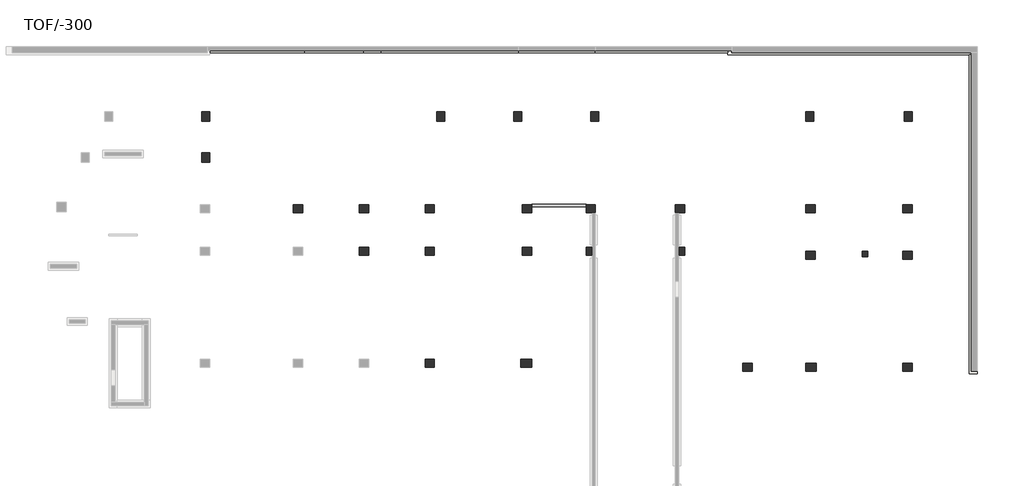
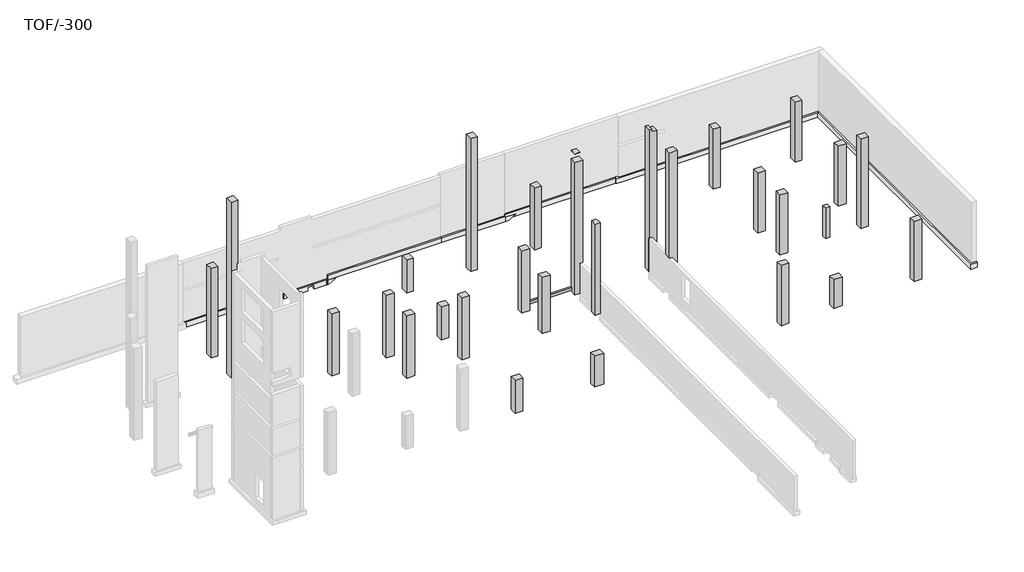
# One storey, part 4 of 4: 28 columns, 5 footings, 3 slabs, 1 beam.
"""IFC4 building model written with IfcOpenShell, lengths in millimetres."""

import ifcopenshell
import ifcopenshell.guid

model = None  # the IFC model being written
_history = None  # IfcOwnerHistory: only IFC2X3 demands one
_inside = {}  # id of a spatial element -> (the spatial element, [elements in it])
_under = {}  # id of a project, library or spatial element -> (it, [spatial elements below it])
_declared = {}  # id of a project -> (the project, [libraries it declares])
_typed = {}  # id of a type object -> (the type object, [elements of that type])
_made_of = {}  # id of a material, layer set ... -> (it, [elements and type objects made of it])


def new_model(schema):
    """Start an empty IFC model of exactly this schema.

    Asked for "IFC4X3", IfcOpenShell would pick the latest addendum, in which some entities
    have other attributes; the version numbers below select the first issue.
    IFC2X3 requires an IfcOwnerHistory on every rooted entity: one is made here for all.
    """
    global model, _history
    if schema == "IFC4X3":
        model = ifcopenshell.file(schema_version=(4, 3, 0, 0))
    else:
        model = ifcopenshell.file(schema=schema)
    _inside.clear()
    _under.clear()
    _declared.clear()
    _typed.clear()
    _made_of.clear()
    _history = None
    if model.schema == "IFC2X3":
        org = make("IfcOrganization", Name="unknown")
        user = make(
            "IfcPersonAndOrganization",
            ThePerson=make("IfcPerson", FamilyName="unknown"),
            TheOrganization=org,
        )
        app = make(
            "IfcApplication",
            ApplicationDeveloper=org,
            Version="unknown",
            ApplicationFullName="unknown",
            ApplicationIdentifier="unknown",
        )
        _history = make(
            "IfcOwnerHistory",
            OwningUser=user,
            OwningApplication=app,
            ChangeAction="ADDED",
            CreationDate=0,
        )
    return model


def make(cls, **values):
    """One entity of the class cls with the attributes given. An attribute that is None is left unset."""
    return model.create_entity(
        cls, **{name: value for name, value in values.items() if value is not None}
    )


def rooted(cls, **values):
    """An entity with a GlobalId (a new one), such as an element, a storey or a relation."""
    return make(cls, GlobalId=ifcopenshell.guid.new(), OwnerHistory=_history, **values)


def si_unit(unit_type, name, prefix=None):
    """IfcSIUnit, for example si_unit("LENGTHUNIT", "METRE", prefix="MILLI")."""
    return make("IfcSIUnit", UnitType=unit_type, Prefix=prefix, Name=name)


def assignment(units):
    """IfcUnitAssignment: the units of a project."""
    return None if units is None else make("IfcUnitAssignment", Units=units)


def point(xyz):
    """IfcCartesianPoint."""
    return None if xyz is None else make("IfcCartesianPoint", Coordinates=xyz)


def direction(xyz):
    """IfcDirection."""
    return None if xyz is None else make("IfcDirection", DirectionRatios=xyz)


def frame(location, z_axis=None, x_axis=None):
    """IfcAxis2Placement3D, a coordinate frame: its origin and axes. An axis left out is left unset."""
    return make(
        "IfcAxis2Placement3D",
        Location=point(location),
        Axis=direction(z_axis),
        RefDirection=direction(x_axis),
    )


def origin():
    """The frame at (0, 0, 0) with its axes left unset."""
    return frame((0.0, 0.0, 0.0))


def place(relative_to, where):
    """IfcLocalPlacement: puts the frame where relative to a parent placement (None: the world)."""
    return make(
        "IfcLocalPlacement", PlacementRelTo=relative_to, RelativePlacement=where
    )


def context(
    kind, dimensions, precision=None, world=None, true_north=None, identifier=None
):
    """IfcGeometricRepresentationContext, for example the 3D "Model" context."""
    return make(
        "IfcGeometricRepresentationContext",
        ContextIdentifier=identifier,
        ContextType=kind,
        CoordinateSpaceDimension=dimensions,
        Precision=precision,
        WorldCoordinateSystem=world,
        TrueNorth=true_north,
    )


def project(units=None, contexts=None):
    """IfcProject with its units and contexts."""
    return rooted(
        "IfcProject",
        Name="project",
        RepresentationContexts=contexts,
        UnitsInContext=assignment(units),
    )


def spatial(cls, under=None, at=None, **own):
    """A site, building, storey or space (cls), placed at a placement, below another one or the project."""
    s = rooted(cls, ObjectPlacement=at, **own)
    if under is not None:
        _under.setdefault(under.id(), (under, []))[1].append(s)
    return s


def polyline(points):
    """IfcPolyline through the points."""
    return make("IfcPolyline", Points=[point(p) for p in points])


def outline(outer, holes=None, kind="AREA"):
    """IfcArbitraryClosedProfileDef: a profile drawn as a closed curve; with holes, ...WithVoids."""
    if holes is None:
        return make("IfcArbitraryClosedProfileDef", ProfileType=kind, OuterCurve=outer)
    return make(
        "IfcArbitraryProfileDefWithVoids",
        ProfileType=kind,
        OuterCurve=outer,
        InnerCurves=holes,
    )


def extrude(swept, where, along, depth):
    """IfcExtrudedAreaSolid: the profile swept, set in the frame where, extruded along a direction by depth."""
    return make(
        "IfcExtrudedAreaSolid",
        SweptArea=swept,
        Position=where,
        ExtrudedDirection=direction(along),
        Depth=depth,
    )


def faces_of(points, faces, orient=None, outer=None):
    """IfcFace entities. A face is a list of loops; a loop is a list of indices into points, from 0.

    orient and outer hold one flag for each loop. By default every Orientation is true, the
    first loop of a face is its IfcFaceOuterBound and the others are IfcFaceBound.
    """
    made = []
    for i, loops in enumerate(faces):
        bounds = []
        for j, loop in enumerate(loops):
            is_outer = j == 0 if outer is None else outer[i][j]
            bounds.append(
                make(
                    "IfcFaceOuterBound" if is_outer else "IfcFaceBound",
                    Bound=make("IfcPolyLoop", Polygon=[points[k] for k in loop]),
                    Orientation=True if orient is None else orient[i][j],
                )
            )
        made.append(make("IfcFace", Bounds=bounds))
    return made


def faceted_brep(points, faces, orient=None, outer=None, voids=None):
    """IfcFacetedBrep: a solid bounded by flat faces; with voids (closed shells), ...WithVoids."""
    shared = [point(p) for p in points]
    hull = make("IfcClosedShell", CfsFaces=faces_of(shared, faces, orient, outer))
    if voids is None:
        return make("IfcFacetedBrep", Outer=hull)
    return make(
        "IfcFacetedBrepWithVoids",
        Outer=hull,
        Voids=[
            make(cls, CfsFaces=faces_of(shared, fs, o, b)) for cls, fs, o, b in voids
        ],
    )


def shape(context_of_items, identifier, shape_type, items):
    """IfcShapeRepresentation: the items that make up one representation, for example the "Body"."""
    return make(
        "IfcShapeRepresentation",
        ContextOfItems=context_of_items,
        RepresentationIdentifier=identifier,
        RepresentationType=shape_type,
        Items=items,
    )


def made_of(thing, what):
    """Note that an element or type object is made of a material, layer set ...; save() writes the relation."""
    if what is not None:
        _made_of.setdefault(what.id(), (what, []))[1].append(thing)
    return thing


def element(
    cls,
    number,
    at=None,
    inside=None,
    cuts=None,
    type_object=None,
    material=None,
    context=None,
    identifier="Body",
    shape_type=None,
    held_by="IfcProductDefinitionShape",
    body=None,
    shapes=None,
    **own,
):
    """One element of the class cls, such as IfcWall. Its Tag is "e" and its number.

    at: its placement. inside: the storey or other place that contains it. cuts: it is an
    opening in that element (IfcRelVoidsElement). A single representation is given by context,
    identifier, shape_type and body (its items); several are given by shapes. held_by: the class
    of the entity that holds the representations. save() writes the other relations.
    """
    e = rooted(cls, Tag="e%d" % number, ObjectPlacement=at, **own)
    if body is not None:
        shapes = [shape(context, identifier, shape_type, body)]
    if shapes is not None:
        e.Representation = make(held_by, Representations=shapes)
    if inside is not None:
        _inside.setdefault(inside.id(), (inside, []))[1].append(e)
    if cuts is not None:
        rooted(
            "IfcRelVoidsElement", RelatingBuildingElement=cuts, RelatedOpeningElement=e
        )
    if type_object is not None:
        _typed.setdefault(type_object.id(), (type_object, []))[1].append(e)
    return made_of(e, material)


def aggregate(whole, parts):
    """IfcRelAggregates: a whole, such as a stair, and the parts it consists of."""
    return rooted("IfcRelAggregates", RelatingObject=whole, RelatedObjects=parts)


def save(model, path):
    """Write the relations noted so far, then the file.

    IfcRelAggregates (storeys below a building ...), IfcRelContainedInSpatialStructure (elements
    in a storey), IfcRelDefinesByType, IfcRelAssociatesMaterial and IfcRelDeclares: one each for
    every whole, place, type object, material and project.
    """
    for whole, parts in _under.values():
        aggregate(whole, parts)
    for where, things in _inside.values():
        rooted(
            "IfcRelContainedInSpatialStructure",
            RelatedElements=things,
            RelatingStructure=where,
        )
    for kind, things in _typed.values():
        rooted("IfcRelDefinesByType", RelatedObjects=things, RelatingType=kind)
    for what, things in _made_of.values():
        rooted("IfcRelAssociatesMaterial", RelatedObjects=things, RelatingMaterial=what)
    for by, libraries in _declared.values():
        rooted("IfcRelDeclares", RelatingContext=by, RelatedDefinitions=libraries)
    model.write(path)


model = new_model("IFC4")

# Units and contexts
model_context = context("Model", 3, world=origin())
ifc_project = project(units=[si_unit("LENGTHUNIT", "METRE", prefix="MILLI")], contexts=[model_context])

# Site, building, storey
site = spatial("IfcSite", under=ifc_project)
building = spatial("IfcBuilding", under=site)
storey = spatial("IfcBuildingStorey", under=building, Name="TOF/-300", Elevation=-14100.0)

# Beam
placement = place(None, origin())
element("IfcBeam", 1, ObjectType="200x232", at=placement, inside=storey, context=model_context, shape_type="SweptSolid", body=[
    extrude(outline(polyline([(221596.1491692, 206713.2322067), (221596.1491692, 206513.2322067), (217496.1491692, 206513.2322067), (217496.1491692, 206713.2322067), (221596.1491692, 206713.2322067)])), frame((0.0, 0.0, -13900.0), z_axis=(0.0, 0.0, 1.0), x_axis=(1.0, 0.0, 0.0)), (0.0, 0.0, 1.0), 232.0),
])

# Columns
element("IfcColumn", 2, ObjectType="SE_CONCRETE COLUMN_RECTANGULAR : 400x400", at=placement, inside=storey, context=model_context, shape_type="SweptSolid", body=[
    extrude(outline(polyline([(242751.1491692, 203163.2322067), (242751.1491692, 202763.2322067), (242351.1491692, 202763.2322067), (242351.1491692, 203163.2322067), (242751.1491692, 203163.2322067)])), frame((0.0, 0.0, -13950.0), z_axis=(0.0, 0.0, 1.0), x_axis=(1.0, 0.0, 0.0)), (0.0, 0.0, 1.0), 2900.0),
])
element("IfcColumn", 3, ObjectType="SE_CONCRETE COLUMN_RECTANGULAR : 600X700", at=placement, inside=storey, context=model_context, shape_type="Brep", body=[
    faceted_brep([(210196.1491692, 194463.2322067, -14150.0), (209496.1491692, 194463.2322067, -14150.0), (209496.1491692, 195063.2322067, -14150.0), (210196.1491692, 195063.2322067, -14150.0), (210196.1491692, 194463.2322067, -11000.0), (209496.1491692, 194463.2322067, -11000.0), (209496.1491692, 194463.2322067, -11200.0), (209496.1491692, 194463.2322067, -11310.0), (210196.1491692, 194463.2322067, -11310.0), (210196.1491692, 194463.2322067, -11200.0), (209496.1491692, 195063.2322067, -11000.0), (209496.1491692, 195063.2322067, -11200.0), (209496.1491692, 195063.2322067, -11310.0), (210196.1491692, 195063.2322067, -11000.0), (210196.1491692, 195063.2322067, -11200.0), (210196.1491692, 195063.2322067, -11310.0)], [[[0, 1, 2, 3]], [[4, 5, 6, 7, 1, 0, 8, 9]], [[5, 10, 11, 12, 2, 1, 7, 6]], [[10, 13, 14, 15, 3, 2, 12, 11]], [[13, 4, 9, 8, 0, 3, 15, 14]], [[4, 13, 10, 5]]]),
])
element("IfcColumn", 4, ObjectType="SE_CONCRETE COLUMN_RECTANGULAR : 600X700", at=placement, inside=storey, context=model_context, shape_type="Brep", body=[
    faceted_brep([(238711.1491692, 213663.2318341, -13950.0), (238711.1491692, 212963.2318341, -13950.0), (238111.1491692, 212963.2318341, -13950.0), (238111.1491692, 213663.2318341, -13950.0), (238711.1491692, 213663.2318341, -8200.0), (238711.1491692, 212963.2318341, -8200.0), (238711.1491692, 212963.2318341, -8310.0), (238711.1491692, 213663.2318341, -8310.0), (238111.1491692, 212963.2318341, -8200.0), (238111.1491692, 212963.2318341, -8310.0), (238111.1491692, 213663.2318341, -8200.0), (238111.1491692, 213663.2318341, -8310.0)], [[[0, 1, 2, 3]], [[4, 5, 6, 1, 0, 7]], [[5, 8, 9, 2, 1, 6]], [[8, 10, 11, 3, 2, 9]], [[10, 4, 7, 0, 3, 11]], [[4, 10, 8, 5]]]),
])
element("IfcColumn", 5, ObjectType="SE_CONCRETE COLUMN_RECTANGULAR : 600X700", at=placement, inside=storey, context=model_context, shape_type="Brep", body=[
    faceted_brep([(222552.1491692, 213663.2318341, -14100.0), (222552.1491692, 212963.2318341, -14100.0), (221952.1491692, 212963.2318341, -14100.0), (221952.1491692, 213663.2318341, -14100.0), (222552.1491692, 213663.2318341, -8200.0), (222552.1491692, 212963.2318341, -8200.0), (222552.1491692, 212963.2318341, -8400.0), (222552.1491692, 212963.2318341, -8510.0), (222552.1491692, 212963.2318341, -11004.2633648), (222552.1491692, 212963.2318341, -11114.3287437), (222552.1491692, 213663.2318341, -11114.3287437), (222552.1491692, 213663.2318341, -11004.2633648), (222552.1491692, 213663.2318341, -8510.0), (222552.1491692, 213663.2318341, -8400.0), (221952.1491692, 212963.2318341, -8200.0), (221952.1491692, 212963.2318341, -8400.0), (221952.1491692, 212963.2318341, -8510.0), (221952.1491692, 212963.2318341, -11024.95302), (221952.1491692, 212963.2318341, -11135.0183989), (221952.1491692, 213663.2318341, -8200.0), (221952.1491692, 213663.2318341, -8400.0), (221952.1491692, 213663.2318341, -8510.0), (221952.1491692, 213663.2318341, -11024.95302), (221952.1491692, 213663.2318341, -11135.0183989)], [[[0, 1, 2, 3]], [[4, 5, 6, 7, 8, 9, 1, 0, 10, 11, 12, 13]], [[5, 14, 15, 16, 17, 18, 2, 1, 9, 8, 7, 6]], [[14, 19, 20, 21, 22, 23, 3, 2, 18, 17, 16, 15]], [[19, 4, 13, 12, 11, 10, 0, 3, 23, 22, 21, 20]], [[4, 19, 14, 5]]]),
])
element("IfcColumn", 6, ObjectType="SE_CONCRETE COLUMN_RECTANGULAR : 600X700", at=placement, inside=storey, context=model_context, shape_type="Brep", body=[
    faceted_brep([(210952.1491692, 213663.2318341, -14150.0), (210952.1491692, 212963.2318341, -14150.0), (210352.1491692, 212963.2318341, -14150.0), (210352.1491692, 213663.2318341, -14150.0), (210952.1491692, 213663.2318341, -11000.0), (210952.1491692, 212963.2318341, -11000.0), (210952.1491692, 212963.2318341, -11200.0), (210952.1491692, 212963.2318341, -11310.0), (210952.1491692, 213663.2318341, -11310.0), (210952.1491692, 213663.2318341, -11200.0), (210352.1491692, 212963.2318341, -11000.0), (210352.1491692, 212963.2318341, -11200.0), (210352.1491692, 212963.2318341, -11310.0), (210352.1491692, 213663.2318341, -11000.0), (210352.1491692, 213663.2318341, -11200.0), (210352.1491692, 213663.2318341, -11310.0)], [[[0, 1, 2, 3]], [[4, 5, 6, 7, 1, 0, 8, 9]], [[5, 10, 11, 12, 2, 1, 7, 6]], [[10, 13, 14, 15, 3, 2, 12, 11]], [[13, 4, 9, 8, 0, 3, 15, 14]], [[4, 13, 10, 5]]]),
])
element("IfcColumn", 7, ObjectType="SE_CONCRETE COLUMN_RECTANGULAR : 600X700", at=placement, inside=storey, context=model_context, shape_type="Brep", body=[
    faceted_brep([(246111.1491692, 213663.2318341, -13950.0), (246111.1491692, 212963.2318341, -13950.0), (245511.1491692, 212963.2318341, -13950.0), (245511.1491692, 213663.2318341, -13950.0), (246111.1491692, 213663.2318341, -8200.0), (246111.1491692, 212963.2318341, -8200.0), (246111.1491692, 212963.2318341, -8310.0), (246111.1491692, 213663.2318341, -8310.0), (245511.1491692, 212963.2318341, -8200.0), (245511.1491692, 212963.2318341, -8310.0), (245511.1491692, 213663.2318341, -8200.0), (245511.1491692, 213663.2318341, -8310.0)], [[[0, 1, 2, 3]], [[4, 5, 6, 1, 0, 7]], [[5, 8, 9, 2, 1, 6]], [[8, 10, 11, 3, 2, 9]], [[10, 4, 7, 0, 3, 11]], [[4, 10, 8, 5]]]),
])
element("IfcColumn", 8, ObjectType="SE_CONCRETE COLUMN_RECTANGULAR : 600X700", at=placement, inside=storey, context=model_context, shape_type="Brep", body=[
    faceted_brep([(246111.1491692, 202563.2318341, -13950.0), (245411.1491692, 202563.2318341, -13950.0), (245411.1491692, 203163.2318341, -13950.0), (246111.1491692, 203163.2318341, -13950.0), (246111.1491692, 202563.2318341, -5400.0), (245411.1491692, 202563.2318341, -5400.0), (245411.1491692, 202563.2318341, -5510.0), (245411.1491692, 202563.2318341, -8200.0), (245411.1491692, 202563.2318341, -8310.0), (246111.1491692, 202563.2318341, -8310.0), (246111.1491692, 202563.2318341, -8200.0), (246111.1491692, 202563.2318341, -5510.0), (245411.1491692, 203163.2318341, -5400.0), (245411.1491692, 203163.2318341, -5510.0), (245411.1491692, 203163.2318341, -8200.0), (245411.1491692, 203163.2318341, -8310.0), (246111.1491692, 203163.2318341, -5400.0), (246111.1491692, 203163.2318341, -5510.0), (246111.1491692, 203163.2318341, -8200.0), (246111.1491692, 203163.2318341, -8310.0)], [[[0, 1, 2, 3]], [[4, 5, 6, 7, 8, 1, 0, 9, 10, 11]], [[5, 12, 13, 14, 15, 2, 1, 8, 7, 6]], [[12, 16, 17, 18, 19, 3, 2, 15, 14, 13]], [[16, 4, 11, 10, 9, 0, 3, 19, 18, 17]], [[4, 16, 12, 5]]]),
])
element("IfcColumn", 9, ObjectType="SE_CONCRETE COLUMN_RECTANGULAR : 600X700", at=placement, inside=storey, context=model_context, shape_type="Brep", body=[
    faceted_brep([(246111.1491692, 194163.2318341, -13950.0), (245411.1491692, 194163.2318341, -13950.0), (245411.1491692, 194763.2318341, -13950.0), (246111.1491692, 194763.2318341, -13950.0), (246111.1491692, 194163.2318341, -8200.0), (245411.1491692, 194163.2318341, -8200.0), (245411.1491692, 194163.2318341, -11000.0), (245411.1491692, 194163.2318341, -11110.0), (246111.1491692, 194163.2318341, -11110.0), (246111.1491692, 194163.2318341, -11000.0), (245411.1491692, 194763.2318341, -8200.0), (245411.1491692, 194763.2318341, -11000.0), (245411.1491692, 194763.2318341, -11110.0), (246111.1491692, 194763.2318341, -8200.0), (246111.1491692, 194763.2318341, -11000.0), (246111.1491692, 194763.2318341, -11110.0)], [[[0, 1, 2, 3]], [[4, 5, 6, 7, 1, 0, 8, 9]], [[5, 10, 11, 12, 2, 1, 7, 6]], [[10, 13, 14, 15, 3, 2, 12, 11]], [[13, 4, 9, 8, 0, 3, 15, 14]], [[4, 13, 10, 5]]]),
])
element("IfcColumn", 10, ObjectType="SE_CONCRETE COLUMN_RECTANGULAR : 600X700", at=placement, inside=storey, context=model_context, shape_type="Brep", body=[
    faceted_brep([(210196.1491692, 202863.2322067, -14150.0), (209496.1491692, 202863.2322067, -14150.0), (209496.1491692, 203463.2322067, -14150.0), (210196.1491692, 203463.2322067, -14150.0), (210196.1491692, 202863.2322067, -8200.0), (209496.1491692, 202863.2322067, -8200.0), (209496.1491692, 202863.2322067, -8400.0), (209496.1491692, 202863.2322067, -8510.0), (209496.1491692, 202863.2322067, -11200.0), (209496.1491692, 202863.2322067, -11310.0), (210196.1491692, 202863.2322067, -11310.0), (210196.1491692, 202863.2322067, -11200.0), (210196.1491692, 202863.2322067, -8510.0), (210196.1491692, 202863.2322067, -8400.0), (209496.1491692, 203463.2322067, -8200.0), (209496.1491692, 203463.2322067, -8400.0), (209496.1491692, 203463.2322067, -8510.0), (209496.1491692, 203463.2322067, -11200.0), (209496.1491692, 203463.2322067, -11310.0), (210196.1491692, 203463.2322067, -8200.0), (210196.1491692, 203463.2322067, -8400.0), (210196.1491692, 203463.2322067, -8510.0), (210196.1491692, 203463.2322067, -11200.0), (210196.1491692, 203463.2322067, -11310.0)], [[[0, 1, 2, 3]], [[4, 5, 6, 7, 8, 9, 1, 0, 10, 11, 12, 13]], [[5, 14, 15, 16, 17, 18, 2, 1, 9, 8, 7, 6]], [[14, 19, 20, 21, 22, 23, 3, 2, 18, 17, 16, 15]], [[19, 4, 13, 12, 11, 10, 0, 3, 23, 22, 21, 20]], [[4, 19, 14, 5]]]),
])
element("IfcColumn", 11, ObjectType="SE_CONCRETE COLUMN_RECTANGULAR : 600X700", at=placement, inside=storey, context=model_context, shape_type="Brep", body=[
    faceted_brep([(217496.1491692, 202863.2322067, -14150.0), (216796.1491692, 202863.2322067, -14150.0), (216796.1491692, 203463.2322067, -14150.0), (217496.1491692, 203463.2322067, -14150.0), (217496.1491692, 202863.2322067, -8825.0), (216796.1491692, 202863.2322067, -8825.0), (216796.1491692, 202863.2322067, -11200.0), (216796.1491692, 202863.2322067, -11310.0), (217496.1491692, 202863.2322067, -11310.0), (217496.1491692, 202863.2322067, -11200.0), (216796.1491692, 203463.2322067, -8825.0), (216796.1491692, 203463.2322067, -11200.0), (216796.1491692, 203463.2322067, -11310.0), (217496.1491692, 203463.2322067, -8825.0), (217496.1491692, 203463.2322067, -11200.0), (217496.1491692, 203463.2322067, -11310.0)], [[[0, 1, 2, 3]], [[4, 5, 6, 7, 1, 0, 8, 9]], [[5, 10, 11, 12, 2, 1, 7, 6]], [[10, 13, 14, 15, 3, 2, 12, 11]], [[13, 4, 9, 8, 0, 3, 15, 14]], [[4, 13, 10, 5]]]),
])
element("IfcColumn", 12, ObjectType="SE_CONCRETE COLUMN_RECTANGULAR : 600X700", at=placement, inside=storey, context=model_context, shape_type="Brep", body=[
    faceted_brep([(205246.1491692, 202863.2322067, -14150.0), (204546.1491692, 202863.2322067, -14150.0), (204546.1491692, 203463.2322067, -14150.0), (205246.1491692, 203463.2322067, -14150.0), (205246.1491692, 202863.2322067, -8200.0), (204546.1491692, 202863.2322067, -8200.0), (204546.1491692, 202863.2322067, -8400.0), (204546.1491692, 202863.2322067, -8510.0), (204546.1491692, 202863.2322067, -11200.0), (204546.1491692, 202863.2322067, -11310.0), (205246.1491692, 202863.2322067, -11310.0), (205246.1491692, 202863.2322067, -11200.0), (205246.1491692, 202863.2322067, -8510.0), (205246.1491692, 202863.2322067, -8400.0), (204546.1491692, 203463.2322067, -8200.0), (204546.1491692, 203463.2322067, -8400.0), (204546.1491692, 203463.2322067, -8510.0), (204546.1491692, 203463.2322067, -11200.0), (204546.1491692, 203463.2322067, -11310.0), (205246.1491692, 203463.2322067, -8200.0), (205246.1491692, 203463.2322067, -8400.0), (205246.1491692, 203463.2322067, -8510.0), (205246.1491692, 203463.2322067, -11200.0), (205246.1491692, 203463.2322067, -11310.0)], [[[0, 1, 2, 3]], [[4, 5, 6, 7, 8, 9, 1, 0, 10, 11, 12, 13]], [[5, 14, 15, 16, 17, 18, 2, 1, 9, 8, 7, 6]], [[14, 19, 20, 21, 22, 23, 3, 2, 18, 17, 16, 15]], [[19, 4, 13, 12, 11, 10, 0, 3, 23, 22, 21, 20]], [[4, 19, 14, 5]]]),
])
element("IfcColumn", 13, ObjectType="SE_CONCRETE COLUMN_RECTANGULAR : 600X700", at=placement, inside=storey, context=model_context, shape_type="Brep", body=[
    faceted_brep([(216752.1491692, 213663.2318341, -14150.0), (216752.1491692, 212963.2318341, -14150.0), (216152.1491692, 212963.2318341, -14150.0), (216152.1491692, 213663.2318341, -14150.0), (216752.1491692, 213663.2318341, -11310.0), (216752.1491692, 213663.2318341, -11200.0), (216752.1491692, 213663.2318341, -8510.0), (216752.1491692, 213663.2318341, -8400.0), (216752.1491692, 213663.2318341, -5710.0), (216752.1491692, 213663.2318341, -5600.0), (216752.1491692, 213663.2318341, -1425.0), (216752.1491692, 212963.2318341, -1425.0), (216752.1491692, 212963.2318341, -5600.0), (216752.1491692, 212963.2318341, -5710.0), (216752.1491692, 212963.2318341, -8400.0), (216752.1491692, 212963.2318341, -8510.0), (216752.1491692, 212963.2318341, -11200.0), (216752.1491692, 212963.2318341, -11310.0), (216152.1491692, 212963.2318341, -1425.0), (216152.1491692, 212963.2318341, -5600.0), (216152.1491692, 212963.2318341, -5710.0), (216152.1491692, 212963.2318341, -8400.0), (216152.1491692, 212963.2318341, -8510.0), (216152.1491692, 212963.2318341, -11200.0), (216152.1491692, 212963.2318341, -11310.0), (216152.1491692, 213663.2318341, -1425.0), (216152.1491692, 213663.2318341, -5600.0), (216152.1491692, 213663.2318341, -5710.0), (216152.1491692, 213663.2318341, -8400.0), (216152.1491692, 213663.2318341, -8510.0), (216152.1491692, 213663.2318341, -11200.0), (216152.1491692, 213663.2318341, -11310.0)], [[[0, 1, 2, 3]], [[1, 0, 4, 5, 6, 7, 8, 9, 10, 11, 12, 13, 14, 15, 16, 17]], [[2, 1, 17, 16, 15, 14, 13, 12, 11, 18, 19, 20, 21, 22, 23, 24]], [[3, 2, 24, 23, 22, 21, 20, 19, 18, 25, 26, 27, 28, 29, 30, 31]], [[0, 3, 31, 30, 29, 28, 27, 26, 25, 10, 9, 8, 7, 6, 5, 4]], [[11, 10, 25, 18]]]),
])
element("IfcColumn", 14, ObjectType="SE_CONCRETE COLUMN_RECTANGULAR : 600X700", at=placement, inside=storey, context=model_context, shape_type="Brep", body=[
    faceted_brep([(221596.1491692, 202863.2322067, -14100.0), (221596.1491692, 203463.2322067, -14100.0), (222046.1491692, 203463.2322067, -14100.0), (222046.1491692, 202863.2322067, -14100.0), (221596.1491692, 202863.2322067, -5400.0), (221596.1491692, 202863.2322067, -5600.0), (221596.1491692, 202863.2322067, -5710.0), (221596.1491692, 202863.2322067, -8400.0), (221596.1491692, 202863.2322067, -8510.0), (221596.1491692, 202863.2322067, -11200.0), (221596.1491692, 202863.2322067, -11310.0), (222046.1491692, 202863.2322067, -11310.0), (222046.1491692, 202863.2322067, -11200.0), (222046.1491692, 202863.2322067, -8510.0), (222046.1491692, 202863.2322067, -8400.0), (222046.1491692, 202863.2322067, -5710.0), (222046.1491692, 202863.2322067, -5600.0), (222046.1491692, 202863.2322067, -5400.0), (221596.1491692, 203463.2322067, -5400.0), (221596.1491692, 203463.2322067, -5600.0), (221596.1491692, 203463.2322067, -5710.0), (221596.1491692, 203463.2322067, -8400.0), (221596.1491692, 203463.2322067, -8510.0), (221596.1491692, 203463.2322067, -11200.0), (221596.1491692, 203463.2322067, -11310.0), (222046.1491692, 203463.2322067, -5400.0), (222046.1491692, 203463.2322067, -5600.0), (222046.1491692, 203463.2322067, -5710.0), (222046.1491692, 203463.2322067, -8400.0), (222046.1491692, 203463.2322067, -8510.0), (222046.1491692, 203463.2322067, -11200.0), (222046.1491692, 203463.2322067, -11310.0)], [[[0, 1, 2, 3]], [[4, 5, 6, 7, 8, 9, 10, 0, 3, 11, 12, 13, 14, 15, 16, 17]], [[1, 0, 10, 9, 8, 7, 6, 5, 4, 18, 19, 20, 21, 22, 23, 24]], [[1, 24, 23, 22, 21, 20, 19, 18, 25, 26, 27, 28, 29, 30, 31, 2]], [[18, 4, 17, 25]], [[3, 2, 31, 30, 29, 28, 27, 26, 25, 17, 16, 15, 14, 13, 12, 11]]]),
])
element("IfcColumn", 15, ObjectType="SE_CONCRETE COLUMN_RECTANGULAR : 600X700", at=placement, inside=storey, context=model_context, shape_type="Brep", body=[
    faceted_brep([(210196.1491692, 206663.2322067, -14150.0), (210196.1491692, 206063.2322067, -14150.0), (209496.1491692, 206063.2322067, -14150.0), (209496.1491692, 206663.2322067, -14150.0), (210196.1491692, 206663.2322067, -11000.0), (210196.1491692, 206663.2322067, -11200.0), (210196.1491692, 206663.2322067, -11310.0), (209496.1491692, 206663.2322067, -11310.0), (209496.1491692, 206663.2322067, -11200.0), (209496.1491692, 206663.2322067, -11000.0), (209496.1491692, 206063.2322067, -11310.0), (209496.1491692, 206063.2322067, -11200.0), (209496.1491692, 206063.2322067, -11000.0), (210196.1491692, 206063.2322067, -11310.0), (210196.1491692, 206063.2322067, -11200.0), (210196.1491692, 206063.2322067, -11000.0)], [[[0, 1, 2, 3]], [[4, 5, 6, 0, 3, 7, 8, 9]], [[9, 8, 7, 3, 2, 10, 11, 12]], [[12, 11, 10, 2, 1, 13, 14, 15]], [[15, 14, 13, 1, 0, 6, 5, 4]], [[4, 9, 12, 15]]]),
])
element("IfcColumn", 16, ObjectType="SE_CONCRETE COLUMN_RECTANGULAR : 600X700", at=placement, inside=storey, context=model_context, shape_type="Brep", body=[
    faceted_brep([(217496.1491692, 206663.2322067, -14150.0), (217496.1491692, 206063.2322067, -14150.0), (216796.1491692, 206063.2322067, -14150.0), (216796.1491692, 206663.2322067, -14150.0), (217496.1491692, 206663.2322067, -8200.0), (217496.1491692, 206663.2322067, -8400.0), (217496.1491692, 206663.2322067, -8510.0), (217496.1491692, 206663.2322067, -11200.0), (217496.1491692, 206663.2322067, -11310.0), (216796.1491692, 206663.2322067, -11310.0), (216796.1491692, 206663.2322067, -11200.0), (216796.1491692, 206663.2322067, -8510.0), (216796.1491692, 206663.2322067, -8400.0), (216796.1491692, 206663.2322067, -8200.0), (216796.1491692, 206063.2322067, -11310.0), (216796.1491692, 206063.2322067, -11200.0), (216796.1491692, 206063.2322067, -8510.0), (216796.1491692, 206063.2322067, -8400.0), (216796.1491692, 206063.2322067, -8200.0), (217496.1491692, 206063.2322067, -11310.0), (217496.1491692, 206063.2322067, -11200.0), (217496.1491692, 206063.2322067, -8510.0), (217496.1491692, 206063.2322067, -8400.0), (217496.1491692, 206063.2322067, -8200.0)], [[[0, 1, 2, 3]], [[4, 5, 6, 7, 8, 0, 3, 9, 10, 11, 12, 13]], [[13, 12, 11, 10, 9, 3, 2, 14, 15, 16, 17, 18]], [[18, 17, 16, 15, 14, 2, 1, 19, 20, 21, 22, 23]], [[23, 22, 21, 20, 19, 1, 0, 8, 7, 6, 5, 4]], [[4, 13, 18, 23]]]),
])
element("IfcColumn", 17, ObjectType="SE_CONCRETE COLUMN_RECTANGULAR : 600X700", at=placement, inside=storey, context=model_context, shape_type="Brep", body=[
    faceted_brep([(205246.1491692, 206663.2322067, -14150.0), (205246.1491692, 206063.2322067, -14150.0), (204546.1491692, 206063.2322067, -14150.0), (204546.1491692, 206663.2322067, -14150.0), (205246.1491692, 206663.2322067, -8200.0), (205246.1491692, 206663.2322067, -8400.0), (205246.1491692, 206663.2322067, -8510.0), (205246.1491692, 206663.2322067, -11200.0), (205246.1491692, 206663.2322067, -11310.0), (204546.1491692, 206663.2322067, -11310.0), (204546.1491692, 206663.2322067, -11200.0), (204546.1491692, 206663.2322067, -8510.0), (204546.1491692, 206663.2322067, -8400.0), (204546.1491692, 206663.2322067, -8200.0), (204546.1491692, 206063.2322067, -11310.0), (204546.1491692, 206063.2322067, -11200.0), (204546.1491692, 206063.2322067, -8510.0), (204546.1491692, 206063.2322067, -8400.0), (204546.1491692, 206063.2322067, -8200.0), (205246.1491692, 206063.2322067, -11310.0), (205246.1491692, 206063.2322067, -11200.0), (205246.1491692, 206063.2322067, -8510.0), (205246.1491692, 206063.2322067, -8400.0), (205246.1491692, 206063.2322067, -8200.0)], [[[0, 1, 2, 3]], [[4, 5, 6, 7, 8, 0, 3, 9, 10, 11, 12, 13]], [[13, 12, 11, 10, 9, 3, 2, 14, 15, 16, 17, 18]], [[18, 17, 16, 15, 14, 2, 1, 19, 20, 21, 22, 23]], [[23, 22, 21, 20, 19, 1, 0, 8, 7, 6, 5, 4]], [[4, 13, 18, 23]]]),
])
element("IfcColumn", 18, ObjectType="SE_CONCRETE COLUMN_RECTANGULAR : 600X700", at=placement, inside=storey, context=model_context, shape_type="Brep", body=[
    faceted_brep([(200296.1491692, 206663.2322067, -14150.0), (200296.1491692, 206063.2322067, -14150.0), (199596.1491692, 206063.2322067, -14150.0), (199596.1491692, 206663.2322067, -14150.0), (200296.1491692, 206663.2322067, -8200.0), (200296.1491692, 206663.2322067, -8400.0), (200296.1491692, 206663.2322067, -8510.0), (200296.1491692, 206663.2322067, -11200.0), (200296.1491692, 206663.2322067, -11310.0), (199596.1491692, 206663.2322067, -11310.0), (199596.1491692, 206663.2322067, -11200.0), (199596.1491692, 206663.2322067, -8510.0), (199596.1491692, 206663.2322067, -8400.0), (199596.1491692, 206663.2322067, -8200.0), (199596.1491692, 206063.2322067, -11310.0), (199596.1491692, 206063.2322067, -11200.0), (199596.1491692, 206063.2322067, -8510.0), (199596.1491692, 206063.2322067, -8400.0), (199596.1491692, 206063.2322067, -8200.0), (200296.1491692, 206063.2322067, -11310.0), (200296.1491692, 206063.2322067, -11200.0), (200296.1491692, 206063.2322067, -8510.0), (200296.1491692, 206063.2322067, -8400.0), (200296.1491692, 206063.2322067, -8200.0)], [[[0, 1, 2, 3]], [[4, 5, 6, 7, 8, 0, 3, 9, 10, 11, 12, 13]], [[13, 12, 11, 10, 9, 3, 2, 14, 15, 16, 17, 18]], [[18, 17, 16, 15, 14, 2, 1, 19, 20, 21, 22, 23]], [[23, 22, 21, 20, 19, 1, 0, 8, 7, 6, 5, 4]], [[4, 13, 18, 23]]]),
])
element("IfcColumn", 19, ObjectType="SE_CONCRETE COLUMN_RECTANGULAR : 600X700", at=placement, inside=storey, context=model_context, shape_type="SweptSolid", body=[
    extrude(outline(polyline([(238811.1491692, 206663.2322067), (238811.1491692, 206063.2322067), (238111.1491692, 206063.2322067), (238111.1491692, 206663.2322067), (238811.1491692, 206663.2322067)])), frame((0.0, 0.0, -13950.0), z_axis=(0.0, 0.0, 1.0), x_axis=(1.0, 0.0, 0.0)), (0.0, 0.0, 1.0), 5750.0),
])
element("IfcColumn", 20, ObjectType="SE_CONCRETE COLUMN_RECTANGULAR : 600X700", at=placement, inside=storey, context=model_context, shape_type="Brep", body=[
    faceted_brep([(193296.1491692, 213663.2318341, -14200.0), (193296.1491692, 212963.2318341, -14200.0), (192696.1491692, 212963.2318341, -14200.0), (192696.1491692, 213663.2318341, -14200.0), (193296.1491692, 213663.2318341, -11310.0), (193296.1491692, 213663.2318341, -11200.0), (193296.1491692, 213663.2318341, -5650.0), (193296.1491692, 212963.2318341, -5650.0), (193296.1491692, 212963.2318341, -11200.0), (193296.1491692, 212963.2318341, -11310.0), (192696.1491692, 212963.2318341, -5650.0), (192696.1491692, 212963.2318341, -11200.0), (192696.1491692, 212963.2318341, -11310.0), (192696.1491692, 213663.2318341, -5650.0), (192696.1491692, 213663.2318341, -11200.0), (192696.1491692, 213663.2318341, -11310.0)], [[[0, 1, 2, 3]], [[1, 0, 4, 5, 6, 7, 8, 9]], [[2, 1, 9, 8, 7, 10, 11, 12]], [[3, 2, 12, 11, 10, 13, 14, 15]], [[0, 3, 15, 14, 13, 6, 5, 4]], [[7, 6, 13, 10]]]),
])
element("IfcColumn", 21, ObjectType="SE_CONCRETE COLUMN_RECTANGULAR : 600X700", at=placement, inside=storey, context=model_context, shape_type="Brep", body=[
    faceted_brep([(234071.1491692, 194163.2318341, -13950.0), (233371.1491692, 194163.2318341, -13950.0), (233371.1491692, 194763.2318341, -13950.0), (234071.1491692, 194763.2318341, -13950.0), (234071.1491692, 194163.2318341, -8200.0), (233371.1491692, 194163.2318341, -8200.0), (233371.1491692, 194163.2318341, -8310.0), (233371.1491692, 194163.2318341, -11000.0), (233371.1491692, 194163.2318341, -11110.0), (234071.1491692, 194163.2318341, -11110.0), (234071.1491692, 194163.2318341, -11000.0), (234071.1491692, 194163.2318341, -8310.0), (233371.1491692, 194763.2318341, -8200.0), (233371.1491692, 194763.2318341, -8310.0), (233371.1491692, 194763.2318341, -11000.0), (233371.1491692, 194763.2318341, -11110.0), (234071.1491692, 194763.2318341, -8200.0), (234071.1491692, 194763.2318341, -8310.0), (234071.1491692, 194763.2318341, -11000.0), (234071.1491692, 194763.2318341, -11110.0)], [[[0, 1, 2, 3]], [[4, 5, 6, 7, 8, 1, 0, 9, 10, 11]], [[5, 12, 13, 14, 15, 2, 1, 8, 7, 6]], [[12, 16, 17, 18, 19, 3, 2, 15, 14, 13]], [[16, 4, 11, 10, 9, 0, 3, 19, 18, 17]], [[4, 16, 12, 5]]]),
])
element("IfcColumn", 22, ObjectType="SE_CONCRETE COLUMN_RECTANGULAR : 600X700", at=placement, inside=storey, context=model_context, shape_type="Brep", body=[
    faceted_brep([(228996.1491692, 203463.2322067, -14200.0), (228996.1491692, 202863.2322067, -14200.0), (228546.1491692, 202863.2322067, -14200.0), (228546.1491692, 203463.2322067, -14200.0), (228996.1491692, 202863.2322067, -910.0), (228546.1491692, 202863.2322067, -910.0), (228296.1491692, 202863.2322067, -910.0), (228296.1491692, 202863.2322067, -11000.0), (228546.1491692, 202863.2322067, -11000.0), (228296.1491692, 203463.2322067, -910.0), (228296.1491692, 203463.2322067, -2044.3108938), (228296.1491692, 203463.2322067, -11000.0), (228996.1491692, 203463.2322067, -910.0), (228546.1491692, 203463.2322067, -11000.0), (228346.244474, 203463.2322067, -910.0), (228346.244474, 203463.2322067, -1817.8722794), (228547.1041286, 203463.2322067, -1815.5173014), (228547.1041286, 203463.2322067, -910.0), (228545.5783739, 203445.7927502, -910.0), (228545.5783739, 203445.7927502, -1817.8722794), (228545.5783739, 203445.7927502, -920.6679389)], [[[0, 1, 2, 3]], [[1, 4, 5, 6, 7, 8, 2]], [[6, 9, 10, 11, 7]], [[12, 0, 3, 13, 11, 10, 9, 14, 15, 16, 17]], [[1, 0, 12, 4]], [[6, 5, 4, 12, 17, 18, 14, 9]], [[16, 19, 20, 18, 17]], [[19, 16, 15]], [[18, 20, 19, 15, 14]], [[8, 13, 3, 2]], [[13, 8, 7, 11]]]),
])
element("IfcColumn", 23, ObjectType="SE_CONCRETE COLUMN_RECTANGULAR : 600X700", at=placement, inside=storey, context=model_context, shape_type="Brep", body=[
    faceted_brep([(228996.1491692, 206663.2322067, -14200.0), (228996.1491692, 206063.2322067, -14200.0), (228546.1491692, 206063.2322067, -14200.0), (228546.1491692, 206071.4302583, -14200.0), (228296.1491692, 206071.4302583, -14200.0), (228296.1491692, 206663.2322067, -14200.0), (228296.1491692, 206663.2322067, -660.0), (228576.1128925, 206663.2322067, -660.0), (228576.1128925, 206663.2322067, -910.0), (228732.7072784, 206663.2322067, -910.0), (228732.7072784, 206663.2322067, -1613.4124149), (228833.0731873, 206663.2322067, -1612.2605633), (228833.0731873, 206663.2322067, -910.0), (228996.1491692, 206663.2322067, -910.0), (228296.1491692, 206071.4302583, -11000.0), (228296.1491692, 206063.2322067, -11000.0), (228296.1491692, 206063.2322067, -1693.2700003), (228296.1491692, 206063.2322067, -660.0), (228996.1491692, 206063.2322067, -910.0), (228523.6196944, 206063.2322067, -910.0), (228523.6196944, 206063.2322067, -660.0), (228546.1491692, 206063.2322067, -11000.0), (228832.3427035, 206654.7009666, -910.0), (228832.3427035, 206654.7009666, -1613.4124149), (228832.3427035, 206654.7009666, -920.6679389), (228546.1491692, 206071.4302583, -11000.0)], [[[0, 1, 2, 3, 4, 5]], [[0, 5, 6, 7, 8, 9, 10, 11, 12, 13]], [[6, 5, 4, 14, 15, 16, 17]], [[18, 19, 20, 17, 16, 15, 21, 2, 1]], [[1, 0, 13, 18]], [[6, 17, 20, 7]], [[22, 12, 11, 23, 24]], [[19, 18, 13, 12, 22, 9, 8]], [[20, 19, 8, 7]], [[22, 24, 23, 10, 9]], [[23, 11, 10]], [[21, 25, 3, 2]], [[25, 14, 4, 3]], [[14, 25, 21, 15]]]),
])
element("IfcColumn", 24, ObjectType="SE_CONCRETE COLUMN_RECTANGULAR : 600X700", at=placement, inside=storey, context=model_context, shape_type="Brep", body=[
    faceted_brep([(238811.1491692, 203163.2318341, -13950.0), (238811.1491692, 202563.2318341, -13950.0), (238111.1491692, 202563.2318341, -13950.0), (238111.1491692, 203163.2318341, -13950.0), (238811.1491692, 203163.2318341, -8200.0), (238811.1491692, 203163.2318341, -8310.0), (238111.1491692, 203163.2318341, -8400.0), (238111.1491692, 203163.2318341, -8200.0), (238671.1491692, 203163.2318341, -8200.0), (238111.1491692, 202563.2318341, -8400.0), (238111.1491692, 202563.2318341, -8200.0), (238811.1491692, 202563.2318341, -8310.0), (238811.1491692, 202563.2318341, -8200.0), (238671.1491692, 202563.2318341, -8200.0)], [[[0, 1, 2, 3]], [[4, 5, 0, 3, 6, 7, 8]], [[7, 6, 3, 2, 9, 10]], [[10, 9, 2, 1, 11, 12, 13]], [[12, 11, 1, 0, 5, 4]], [[4, 8, 7, 10, 13, 12]]]),
])
element("IfcColumn", 25, ObjectType="SE_CONCRETE COLUMN_RECTANGULAR : 600X700", at=placement, inside=storey, context=model_context, shape_type="Brep", body=[
    faceted_brep([(246111.1491692, 206063.2322067, -13950.0), (245411.1491692, 206063.2322067, -13950.0), (245411.1491692, 206663.2322067, -13950.0), (246111.1491692, 206663.2322067, -13950.0), (246111.1491692, 206063.2322067, -8200.0), (245411.1491692, 206063.2322067, -8200.0), (245411.1491692, 206063.2322067, -8310.0), (246111.1491692, 206063.2322067, -8310.0), (245411.1491692, 206663.2322067, -8200.0), (245411.1491692, 206663.2322067, -8310.0), (246111.1491692, 206663.2322067, -8200.0), (246111.1491692, 206663.2322067, -8310.0)], [[[0, 1, 2, 3]], [[4, 5, 6, 1, 0, 7]], [[5, 8, 9, 2, 1, 6]], [[8, 10, 11, 3, 2, 9]], [[10, 4, 7, 0, 3, 11]], [[4, 10, 8, 5]]]),
])
element("IfcColumn", 26, ObjectType="SE_CONCRETE COLUMN_RECTANGULAR : 600X700", at=placement, inside=storey, context=model_context, shape_type="Brep", body=[
    faceted_brep([(192696.1491692, 210568.1983002, -14200.0), (193296.1491692, 210568.1983002, -14200.0), (193296.1491692, 209868.1983002, -14200.0), (192696.1491692, 209868.1983002, -14200.0), (192696.1491692, 210568.1983002, 2570.0), (192696.1491692, 210568.1983002, -5650.0), (192696.1491692, 210568.1983002, -5760.0), (192696.1491692, 210568.1983002, -8400.0), (192696.1491692, 210568.1983002, -8510.0), (192696.1491692, 209868.1983002, -8510.0), (192696.1491692, 209868.1983002, -8400.0), (192696.1491692, 209868.1983002, -5760.0), (192696.1491692, 209868.1983002, -5650.0), (192696.1491692, 209868.1983002, 2570.0), (193296.1491692, 209868.1983002, -8510.0), (193296.1491692, 209868.1983002, -8400.0), (193296.1491692, 209868.1983002, -5760.0), (193296.1491692, 209868.1983002, -5650.0), (193296.1491692, 209868.1983002, 2570.0), (193296.1491692, 210568.1983002, -8510.0), (193296.1491692, 210568.1983002, -8400.0), (193296.1491692, 210568.1983002, -5760.0), (193296.1491692, 210568.1983002, -5650.0), (193296.1491692, 210568.1983002, 2570.0)], [[[0, 1, 2, 3]], [[4, 5, 6, 7, 8, 0, 3, 9, 10, 11, 12, 13]], [[13, 12, 11, 10, 9, 3, 2, 14, 15, 16, 17, 18]], [[18, 17, 16, 15, 14, 2, 1, 19, 20, 21, 22, 23]], [[23, 22, 21, 20, 19, 1, 0, 8, 7, 6, 5, 4]], [[4, 13, 18, 23]]]),
])
element("IfcColumn", 27, ObjectType="SE_CONCRETE COLUMN_RECTANGULAR : 600X700", at=placement, inside=storey, context=model_context, shape_type="Brep", body=[
    faceted_brep([(222296.1491692, 206663.2322067, -14100.0), (222296.1491692, 206063.2322067, -14100.0), (221596.1491692, 206063.2322067, -14100.0), (221596.1491692, 206663.2322067, -14100.0), (222296.1491692, 206663.2322067, -1425.0), (221596.1491692, 206663.2322067, -1425.0), (221596.1491692, 206063.2322067, -1425.0), (222296.1491692, 206063.2322067, -1425.0), (222296.1491692, 206562.8679978, -1425.0), (221596.1491692, 206663.2322067, -11310.0), (221596.1491692, 206663.2322067, -11200.0), (221596.1491692, 206663.2322067, -5710.0), (221596.1491692, 206663.2322067, -5600.0), (221596.1491692, 206063.2322067, -11310.0), (221596.1491692, 206063.2322067, -11200.0), (221596.1491692, 206063.2322067, -5710.0), (221596.1491692, 206063.2322067, -5600.0), (222296.1491692, 206063.2322067, -11223.3173459), (222296.1491692, 206063.2322067, -1789.121225), (222296.1491692, 206063.2322067, -1691.1939127)], [[[0, 1, 2, 3]], [[4, 5, 6, 7, 8]], [[0, 3, 9, 10, 11, 12, 5, 4]], [[3, 2, 13, 14, 15, 16, 6, 5, 12, 11, 10, 9]], [[2, 1, 17, 18, 19, 7, 6, 16, 15, 14, 13]], [[1, 0, 4, 8, 7, 19, 18, 17]]]),
    faceted_brep([(221596.1491692, 206663.2322067, -625.0), (221596.1491692, 206663.2322067, -600.0), (222046.1491692, 206663.2322067, -600.0), (222046.1491692, 206663.2322067, -625.0), (221596.1491692, 206063.2322067, -600.0), (221596.1491692, 206063.2322067, -625.0), (222046.1491692, 206063.2322067, -625.0), (222046.1491692, 206063.2322067, -600.0)], [[[0, 1, 2, 3]], [[4, 1, 0, 5]], [[4, 5, 6, 7]], [[1, 4, 7, 2]], [[5, 0, 3, 6]], [[3, 2, 7, 6]]]),
])
element("IfcColumn", 28, ObjectType="SE_CONCRETE COLUMN_RECTANGULAR : 600X800", at=placement, inside=storey, context=model_context, shape_type="Brep", body=[
    faceted_brep([(217496.1491692, 194463.2322067, -14150.0), (216696.1491692, 194463.2322067, -14150.0), (216696.1491692, 195063.2322067, -14150.0), (217496.1491692, 195063.2322067, -14150.0), (217496.1491692, 194463.2322067, -11310.0), (217496.1491692, 194463.2322067, -11200.0), (216696.1491692, 194463.2322067, -11200.0), (216696.1491692, 194463.2322067, -11310.0), (216696.1491692, 195063.2322067, -11200.0), (216696.1491692, 195063.2322067, -11310.0), (217496.1491692, 195063.2322067, -11200.0), (217496.1491692, 195063.2322067, -11310.0)], [[[0, 1, 2, 3]], [[1, 0, 4, 5, 6, 7]], [[2, 1, 7, 6, 8, 9]], [[3, 2, 9, 8, 10, 11]], [[0, 3, 11, 10, 5, 4]], [[6, 5, 10, 8]]]),
])
element("IfcColumn", 29, ObjectType="SE_CONCRETE COLUMN_RECTANGULAR : 600X800", at=placement, inside=storey, context=model_context, shape_type="SweptSolid", body=[
    extrude(outline(polyline([(238911.1491692, 194163.2318341), (238111.1491692, 194163.2318341), (238111.1491692, 194763.2318341), (238911.1491692, 194763.2318341), (238911.1491692, 194163.2318341)])), frame((0.0, 0.0, -13950.0), z_axis=(0.0, 0.0, 1.0), x_axis=(1.0, 0.0, 0.0)), (0.0, 0.0, 1.0), 2750.0),
])

# Footings
element("IfcFooting", 30, at=placement, inside=storey, context=model_context, shape_type="Brep", body=[
    faceted_brep([(232225.5971201, 217963.2318341, -13950.0), (232225.5971201, 218113.2318341, -13950.0), (232225.5971201, 218563.2318341, -13950.0), (232225.5971201, 218563.2318341, -14400.0), (232225.5971201, 218113.2318341, -14400.0), (232225.5971201, 217963.2318341, -14400.0), (232225.5971201, 217963.2318341, -14050.0), (251011.1491692, 218563.2318341, -13950.0), (250411.1491692, 217963.2318341, -13950.0), (251011.1491692, 217963.2318341, -13950.0), (251011.1491692, 217963.2318341, -14400.0), (232775.5971201, 217963.2318341, -14400.0), (250411.1491692, 217963.2318341, -14400.0), (251011.1491692, 218563.2318341, -14400.0)], [[[0, 1, 2, 3, 4, 5, 6]], [[7, 2, 1, 0, 8, 9]], [[10, 9, 8, 0, 6, 5, 11, 12]], [[13, 10, 12, 11, 5, 4, 3]], [[7, 13, 3, 2]], [[7, 9, 10, 13]]]),
])
element("IfcFooting", 31, at=placement, inside=storey, context=model_context, shape_type="Brep", body=[
    faceted_brep([(250411.1491692, 193963.2322067, -13950.0), (250411.1491692, 193963.2322067, -14400.0), (250561.1491692, 193963.2322067, -14400.0), (251011.1491692, 193963.2322067, -14400.0), (251011.1491692, 193963.2322067, -13950.0), (250711.1491692, 193963.2322067, -13950.0), (250561.1491692, 193963.2322067, -13950.0), (251011.1491692, 194163.2322067, -13950.0), (251011.1491692, 217963.2318341, -13950.0), (250411.1491692, 217963.2318341, -13950.0), (250411.1491692, 217963.2318341, -14400.0), (251011.1491692, 217963.2318341, -14400.0)], [[[0, 1, 2, 3, 4, 5, 6]], [[5, 4, 7, 8, 9, 0, 6]], [[1, 0, 9, 10]], [[3, 2, 1, 10, 11]], [[4, 3, 11, 8, 7]], [[9, 8, 11, 10]]]),
])
element("IfcFooting", 32, at=placement, inside=storey, context=model_context, shape_type="Brep", body=[
    faceted_brep([(200401.1491692, 218563.2318341, -14600.0), (200401.1491692, 218563.2318341, -14150.0), (200401.1491692, 218113.2318341, -14150.0), (200401.1491692, 218113.2318341, -14600.0), (193306.1491692, 218563.2318341, -14150.0), (193306.1491692, 218113.2318341, -14150.0), (193306.1491692, 218563.2318341, -14600.0), (193306.1491692, 218113.2318341, -14600.0)], [[[0, 1, 2, 3]], [[2, 1, 4, 5]], [[1, 0, 6, 4]], [[0, 3, 7, 6]], [[3, 2, 5, 7]], [[4, 6, 7, 5]]]),
    faceted_brep([(200401.1491692, 218563.2318341, -14550.0), (200401.1491692, 218563.2318341, -15000.0), (200401.1491692, 218113.2318341, -15000.0), (200401.1491692, 218113.2318341, -14550.0), (206202.1491692, 218113.2318341, -15000.0), (206202.1491692, 218563.2318341, -15000.0), (206202.1491692, 218563.2318341, -14556.3500265), (206202.1491692, 218113.2318341, -14556.3500265), (204852.1491692, 218113.2318341, -14550.0), (204852.1491692, 218563.2318341, -14550.0), (204852.1491692, 218563.2318341, -14556.3500265), (205002.1491692, 218563.2318341, -15000.0), (205002.1491692, 218563.2318341, -14650.0), (204402.1491692, 218563.2318341, -14650.0), (204402.1491692, 218563.2318341, -15000.0), (202201.1491692, 218563.2318341, -15000.0), (202201.1491692, 218563.2318341, -14650.0), (201601.1491692, 218563.2318341, -14650.0), (201601.1491692, 218563.2318341, -15000.0), (201601.1491692, 218113.2318341, -15000.0), (205002.1491692, 218113.2318341, -15000.0), (202201.1491692, 218113.2318341, -15000.0), (204402.1491692, 218113.2318341, -15000.0), (201601.1491692, 218113.2318341, -14650.0), (202201.1491692, 218113.2318341, -14650.0), (204402.1491692, 218113.2318341, -14650.0), (205002.1491692, 218113.2318341, -14650.0), (204852.1491692, 218113.2318341, -14556.3500265)], [[[0, 1, 2, 3]], [[4, 5, 6, 7]], [[0, 3, 8, 9]], [[1, 0, 9, 10, 6, 5, 11, 12, 13, 14, 15, 16, 17, 18]], [[2, 1, 18, 19]], [[5, 4, 20, 11]], [[21, 15, 14, 22]], [[3, 2, 19, 23, 24, 21, 22, 25, 26, 20, 4, 7, 27, 8]], [[16, 24, 23, 17]], [[17, 23, 19, 18]], [[24, 16, 15, 21]], [[25, 13, 12, 26]], [[26, 12, 11, 20]], [[13, 25, 22, 14]], [[27, 10, 9, 8]], [[10, 27, 7, 6]]]),
    faceted_brep([(206202.1491692, 218563.2318341, -14600.0), (206202.1491692, 218113.2318341, -14600.0), (206202.1491692, 218113.2318341, -14556.3500265), (206202.1491692, 218113.2318341, -14150.0), (206202.1491692, 218563.2318341, -14150.0), (206202.1491692, 218563.2318341, -14556.3500265), (216475.5971201, 218563.2318341, -14600.0), (216475.5971201, 218563.2318341, -14150.0), (216475.5971201, 218113.2318341, -14150.0), (216475.5971201, 218113.2318341, -14600.0)], [[[0, 1, 2, 3, 4, 5]], [[6, 7, 8, 9]], [[7, 4, 3, 8]], [[7, 6, 0, 5, 4]], [[1, 0, 6, 9]], [[9, 8, 3, 2, 1]]]),
])
element("IfcFooting", 33, at=placement, inside=storey, context=model_context, shape_type="Brep", body=[
    faceted_brep([(222275.5971201, 218113.2318341, -13950.0), (222275.5971201, 218563.2318341, -13950.0), (222275.5971201, 218563.2318341, -14150.0), (222275.5971201, 218563.2318341, -14200.0), (222275.5971201, 218113.2318341, -14200.0), (222275.5971201, 218113.2318341, -14150.0), (232225.5971201, 218113.2318341, -13950.0), (232225.5971201, 218563.2318341, -13950.0), (232225.5971201, 218563.2318341, -14400.0), (222895.8634549, 218563.2318341, -14400.0), (223181.5777406, 218563.2318341, -14200.0), (222895.8634549, 218113.2318341, -14400.0), (232225.5971201, 218113.2318341, -14400.0), (223181.5777406, 218113.2318341, -14200.0)], [[[0, 1, 2, 3, 4, 5]], [[1, 0, 6, 7]], [[7, 8, 9, 10, 3, 2, 1]], [[11, 9, 8, 12]], [[12, 6, 0, 5, 4, 13, 11]], [[12, 8, 7, 6]], [[10, 13, 4, 3]], [[13, 10, 9, 11]]]),
])
element("IfcFooting", 34, at=placement, inside=storey, context=model_context, shape_type="Brep", body=[
    faceted_brep([(216475.5971201, 218113.2318341, -14150.0), (216475.5971201, 218563.2318341, -14150.0), (216475.5971201, 218563.2318341, -14600.0), (216475.5971201, 218113.2318341, -14600.0), (222275.5971201, 218563.2318341, -14150.0), (222275.5971201, 218113.2318341, -14150.0), (222275.5971201, 218113.2318341, -14200.0), (222275.5971201, 218113.2318341, -14600.0), (222275.5971201, 218563.2318341, -14600.0), (222275.5971201, 218563.2318341, -14200.0)], [[[0, 1, 2, 3]], [[4, 5, 6, 7, 8, 9]], [[0, 5, 4, 1]], [[2, 1, 4, 9, 8]], [[3, 2, 8, 7]], [[0, 3, 7, 6, 5]]]),
])

# Slabs
element("IfcSlab", 35, ObjectType="SE_STEPPED FOOTING : SE_STEPPED FOOTING", at=placement, inside=storey, context=model_context, shape_type="SweptSolid", body=[
    extrude(outline(polyline([(-15000.0, 200396.1491692), (-14600.0, 200396.1491692), (-14600.0, 199524.7205978), (-15000.0, 200096.1491692), (-15000.0, 200396.1491692)])), frame((0.0, 218113.2318341, 0.0), z_axis=(0.0, 1.0, 0.0), x_axis=(0.0, 0.0, 1.0)), (0.0, 0.0, 1.0), 450.0),
])
element("IfcSlab", 36, ObjectType="SE_STEPPED FOOTING : SE_STEPPED FOOTING", at=placement, inside=storey, context=model_context, shape_type="SweptSolid", body=[
    extrude(outline(polyline([(-15000.0, 206096.1491692), (-15000.0, 206396.1491692), (-14600.0, 206967.5777406), (-14600.0, 206096.1491692), (-15000.0, 206096.1491692)])), frame((0.0, 218113.2318341, 0.0), z_axis=(0.0, 1.0, 0.0), x_axis=(0.0, 0.0, 1.0)), (0.0, 0.0, 1.0), 450.0),
])
element("IfcSlab", 37, ObjectType="SE_STEPPED FOOTING : SE_STEPPED FOOTING", at=placement, inside=storey, context=model_context, shape_type="Brep", body=[
    faceted_brep([(222275.5971201, 218563.2318341, -14600.0), (222275.5971201, 218563.2318341, -14200.0), (223181.5777406, 218563.2318341, -14200.0), (222895.8634549, 218563.2318341, -14400.0), (222610.1491692, 218563.2318341, -14600.0), (222275.5971201, 218113.2318341, -14600.0), (222610.1491692, 218113.2318341, -14600.0), (222895.8634549, 218113.2318341, -14400.0), (223181.5777406, 218113.2318341, -14200.0), (222275.5971201, 218113.2318341, -14200.0)], [[[0, 1, 2, 3, 4]], [[5, 6, 7, 8, 9]], [[1, 0, 5, 9]], [[2, 1, 9, 8]], [[4, 3, 2, 8, 7, 6]], [[0, 4, 6, 5]]]),
])

save(model, "model.ifc")
